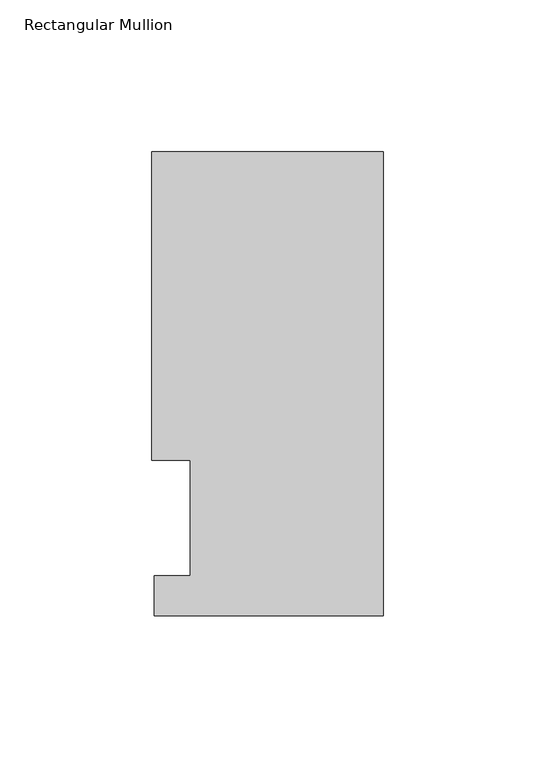
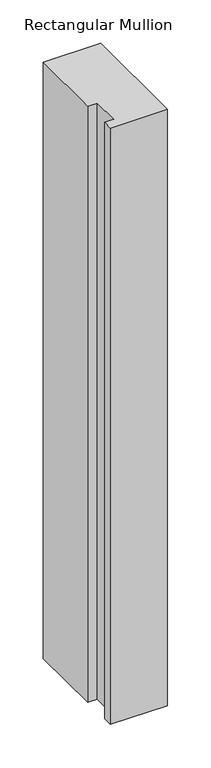
"""IFC4 building model written with IfcOpenShell, lengths in millimetres: member geometry, Rectangular Mullion."""

from ifc_helpers import new_model, si_unit, frame, origin, place, context, project, spatial, polyline, outline, extrude, source, transform, mapped, element, save


def rectangular_mullion_67174d2d(model_context):
    return source(origin(), model_context, "Body", "SweptSolid", [
        extrude(outline(polyline([(-76.2, 152.8960938), (0.0, 152.8960938), (0.0, 0.0084138), (-75.4126006, 0.0084138), (-75.4126006, 13.1960937), (-63.4999994, 13.1960937), (-63.4999994, 51.2960937), (-76.2, 51.2960937), (-76.2, 152.8960938)])), frame((0.0, 0.0, -838.2), z_axis=(0.0, 0.0, 1.0), x_axis=(1.0, 0.0, 0.0)), (0.0, 0.0, 1.0), 838.2),
    ])


if __name__ == "__main__":
    model = new_model("IFC4")
    model_context = context("Model", 3, world=origin())
    ifc_project = project(units=[si_unit("LENGTHUNIT", "METRE", prefix="MILLI")], contexts=[model_context])
    site = spatial("IfcSite", under=ifc_project)
    building = spatial("IfcBuilding", under=site)
    placement = place(None, origin())
    rectangular_mullion_shape = rectangular_mullion_67174d2d(model_context)
    element("IfcMember", 1, ObjectType="Rectangular Mullion", at=placement, inside=building, context=model_context, shape_type="MappedRepresentation", body=[
        mapped(rectangular_mullion_shape, transform((0.0, 0.0, 0.0), x_axis=(1.0, 0.0, 0.0), y_axis=(0.0, 1.0, 0.0), z_axis=(0.0, 0.0, 1.0))),
    ])
    save(model, "model.ifc")
